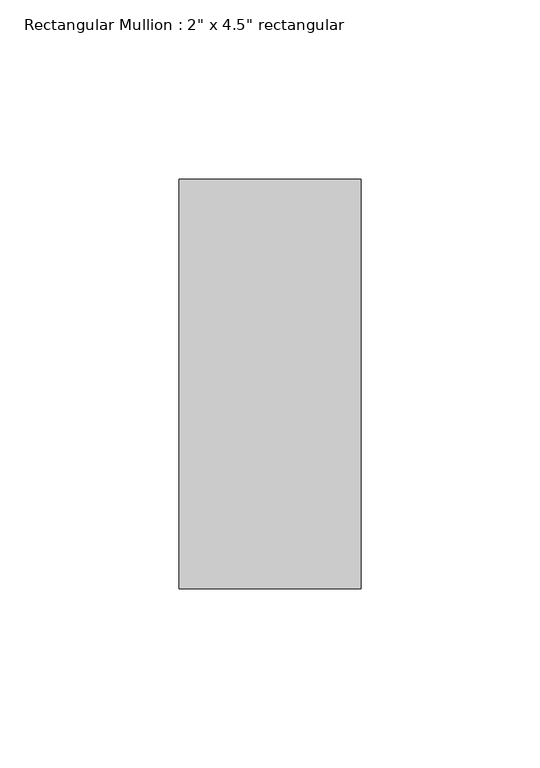
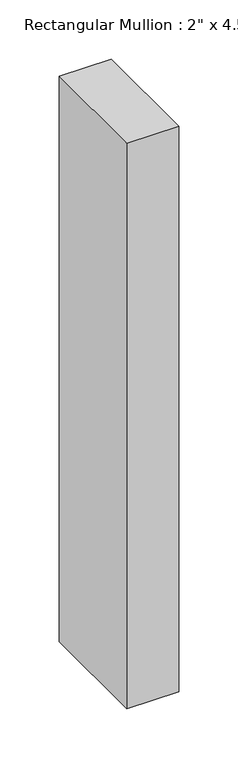
"""IFC4 building model written with IfcOpenShell, lengths in millimetres: member geometry."""

from ifc_helpers import new_model, si_unit, frame, origin, place, context, project, spatial, polyline, outline, extrude, source, transform, mapped, element, save


def member_37c52e2e(model_context):
    return source(origin(), model_context, "Body", "SweptSolid", [
        extrude(outline(polyline([(0.0, 57.15), (0.0, -57.15), (-50.8, -57.15), (-50.8, 57.15), (0.0, 57.15)])), frame((0.0, 0.0, -584.2), z_axis=(0.0, 0.0, 1.0), x_axis=(1.0, 0.0, 0.0)), (0.0, 0.0, 1.0), 584.2),
    ])


if __name__ == "__main__":
    model = new_model("IFC4")
    model_context = context("Model", 3, world=origin())
    ifc_project = project(units=[si_unit("LENGTHUNIT", "METRE", prefix="MILLI")], contexts=[model_context])
    site = spatial("IfcSite", under=ifc_project)
    building = spatial("IfcBuilding", under=site)
    placement = place(None, origin())
    member_shape = member_37c52e2e(model_context)
    element("IfcMember", 1, ObjectType="Rectangular Mullion : 2\" x 4.5\" rectangular", at=placement, inside=building, context=model_context, shape_type="MappedRepresentation", body=[
        mapped(member_shape, transform((0.0, 0.0, 0.0), x_axis=(1.0, 0.0, 0.0), y_axis=(0.0, 1.0, 0.0), z_axis=(0.0, 0.0, 1.0))),
    ])
    save(model, "model.ifc")
